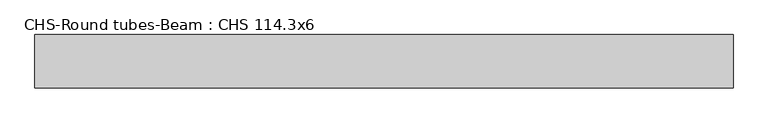
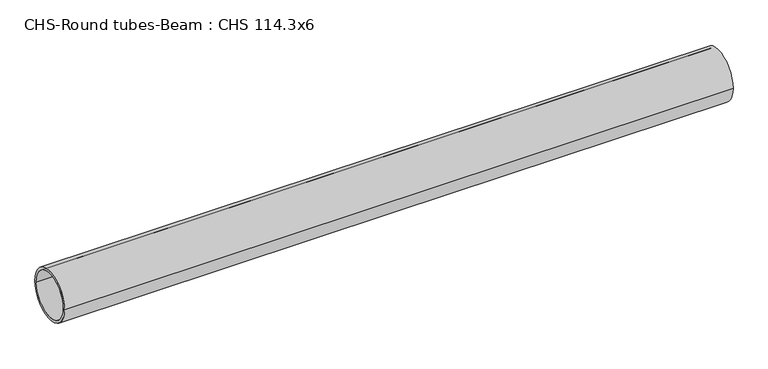
"""IFC4 building model written with IfcOpenShell, lengths in millimetres: beam geometry, CHS-Round tubes-Beam : CHS 114.3x6."""

from ifc_helpers import new_model, si_unit, point, frame, origin, origin_2d, place, context, project, spatial, circle_curve, trimmed, segment, composite_curve, outline, extrude, source, transform, mapped, element, save


def chs_round_tubes_beam_chs_114_3x6_c5d76885(model_context):
    return source(origin(), model_context, "Body", "SweptSolid", [
        extrude(outline(composite_curve([segment(trimmed(circle_curve(origin_2d(), 57.15), [point((57.15, 0.0))], [point((-57.15, 0.0))], False, "CARTESIAN"), True, "CONTINUOUS"), segment(trimmed(circle_curve(origin_2d(), 57.15), [point((-57.15, 0.0))], [point((57.15, 0.0))], False, "CARTESIAN"), True, "CONTINUOUS")], self_intersect=False), holes=[composite_curve([segment(trimmed(circle_curve(origin_2d(), 51.15), [point((51.15, 0.0))], [point((-51.15, 0.0))], True, "CARTESIAN"), True, "CONTINUOUS"), segment(trimmed(circle_curve(origin_2d(), 51.15), [point((-51.15, 0.0))], [point((51.15, 0.0))], True, "CARTESIAN"), True, "CONTINUOUS")], self_intersect=False)]), frame((-760.4711419, 0.0, 0.0), z_axis=(1.0, 0.0, 0.0), x_axis=(0.0, 1.0, 0.0)), (0.0, 0.0, 1.0), 1494.325321),
    ])


if __name__ == "__main__":
    model = new_model("IFC4")
    model_context = context("Model", 3, world=origin())
    ifc_project = project(units=[si_unit("LENGTHUNIT", "METRE", prefix="MILLI")], contexts=[model_context])
    site = spatial("IfcSite", under=ifc_project)
    building = spatial("IfcBuilding", under=site)
    placement = place(None, origin())
    chs_round_tubes_beam_chs_114_3x6_shape = chs_round_tubes_beam_chs_114_3x6_c5d76885(model_context)
    element("IfcBeam", 1, ObjectType="CHS-Round tubes-Beam : CHS 114.3x6", at=placement, inside=building, context=model_context, shape_type="MappedRepresentation", body=[
        mapped(chs_round_tubes_beam_chs_114_3x6_shape, transform((0.0, 0.0, 0.0), x_axis=(1.0, 0.0, 0.0), y_axis=(0.0, 1.0, 0.0), z_axis=(0.0, 0.0, 1.0))),
    ])
    save(model, "model.ifc")
